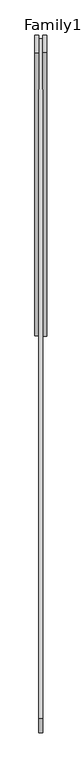
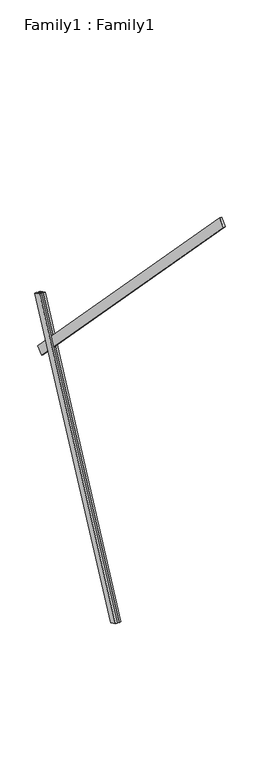
"""IFC4 building model written with IfcOpenShell, lengths in millimetres: proxy geometry, Family1 : Family1."""

import ifcopenshell
import ifcopenshell.guid

model = None  # the IFC model being written
_history = None  # IfcOwnerHistory: only IFC2X3 demands one
_inside = {}  # id of a spatial element -> (the spatial element, [elements in it])
_under = {}  # id of a project, library or spatial element -> (it, [spatial elements below it])
_declared = {}  # id of a project -> (the project, [libraries it declares])
_typed = {}  # id of a type object -> (the type object, [elements of that type])
_made_of = {}  # id of a material, layer set ... -> (it, [elements and type objects made of it])


def new_model(schema):
    """Start an empty IFC model of exactly this schema.

    Asked for "IFC4X3", IfcOpenShell would pick the latest addendum, in which some entities
    have other attributes; the version numbers below select the first issue.
    IFC2X3 requires an IfcOwnerHistory on every rooted entity: one is made here for all.
    """
    global model, _history
    if schema == "IFC4X3":
        model = ifcopenshell.file(schema_version=(4, 3, 0, 0))
    else:
        model = ifcopenshell.file(schema=schema)
    _inside.clear()
    _under.clear()
    _declared.clear()
    _typed.clear()
    _made_of.clear()
    _history = None
    if model.schema == "IFC2X3":
        org = make("IfcOrganization", Name="unknown")
        user = make(
            "IfcPersonAndOrganization",
            ThePerson=make("IfcPerson", FamilyName="unknown"),
            TheOrganization=org,
        )
        app = make(
            "IfcApplication",
            ApplicationDeveloper=org,
            Version="unknown",
            ApplicationFullName="unknown",
            ApplicationIdentifier="unknown",
        )
        _history = make(
            "IfcOwnerHistory",
            OwningUser=user,
            OwningApplication=app,
            ChangeAction="ADDED",
            CreationDate=0,
        )
    return model


def make(cls, **values):
    """One entity of the class cls with the attributes given. An attribute that is None is left unset."""
    return model.create_entity(
        cls, **{name: value for name, value in values.items() if value is not None}
    )


def rooted(cls, **values):
    """An entity with a GlobalId (a new one), such as an element, a storey or a relation."""
    return make(cls, GlobalId=ifcopenshell.guid.new(), OwnerHistory=_history, **values)


def si_unit(unit_type, name, prefix=None):
    """IfcSIUnit, for example si_unit("LENGTHUNIT", "METRE", prefix="MILLI")."""
    return make("IfcSIUnit", UnitType=unit_type, Prefix=prefix, Name=name)


def assignment(units):
    """IfcUnitAssignment: the units of a project."""
    return None if units is None else make("IfcUnitAssignment", Units=units)


def point(xyz):
    """IfcCartesianPoint."""
    return None if xyz is None else make("IfcCartesianPoint", Coordinates=xyz)


def direction(xyz):
    """IfcDirection."""
    return None if xyz is None else make("IfcDirection", DirectionRatios=xyz)


def frame(location, z_axis=None, x_axis=None):
    """IfcAxis2Placement3D, a coordinate frame: its origin and axes. An axis left out is left unset."""
    return make(
        "IfcAxis2Placement3D",
        Location=point(location),
        Axis=direction(z_axis),
        RefDirection=direction(x_axis),
    )


def origin():
    """The frame at (0, 0, 0) with its axes left unset."""
    return frame((0.0, 0.0, 0.0))


def place(relative_to, where):
    """IfcLocalPlacement: puts the frame where relative to a parent placement (None: the world)."""
    return make(
        "IfcLocalPlacement", PlacementRelTo=relative_to, RelativePlacement=where
    )


def context(
    kind, dimensions, precision=None, world=None, true_north=None, identifier=None
):
    """IfcGeometricRepresentationContext, for example the 3D "Model" context."""
    return make(
        "IfcGeometricRepresentationContext",
        ContextIdentifier=identifier,
        ContextType=kind,
        CoordinateSpaceDimension=dimensions,
        Precision=precision,
        WorldCoordinateSystem=world,
        TrueNorth=true_north,
    )


def project(units=None, contexts=None):
    """IfcProject with its units and contexts."""
    return rooted(
        "IfcProject",
        Name="project",
        RepresentationContexts=contexts,
        UnitsInContext=assignment(units),
    )


def spatial(cls, under=None, at=None, **own):
    """A site, building, storey or space (cls), placed at a placement, below another one or the project."""
    s = rooted(cls, ObjectPlacement=at, **own)
    if under is not None:
        _under.setdefault(under.id(), (under, []))[1].append(s)
    return s


def polyline(points):
    """IfcPolyline through the points."""
    return make("IfcPolyline", Points=[point(p) for p in points])


def outline(outer, holes=None, kind="AREA"):
    """IfcArbitraryClosedProfileDef: a profile drawn as a closed curve; with holes, ...WithVoids."""
    if holes is None:
        return make("IfcArbitraryClosedProfileDef", ProfileType=kind, OuterCurve=outer)
    return make(
        "IfcArbitraryProfileDefWithVoids",
        ProfileType=kind,
        OuterCurve=outer,
        InnerCurves=holes,
    )


def extrude(swept, where, along, depth):
    """IfcExtrudedAreaSolid: the profile swept, set in the frame where, extruded along a direction by depth."""
    return make(
        "IfcExtrudedAreaSolid",
        SweptArea=swept,
        Position=where,
        ExtrudedDirection=direction(along),
        Depth=depth,
    )


def shape(context_of_items, identifier, shape_type, items):
    """IfcShapeRepresentation: the items that make up one representation, for example the "Body"."""
    return make(
        "IfcShapeRepresentation",
        ContextOfItems=context_of_items,
        RepresentationIdentifier=identifier,
        RepresentationType=shape_type,
        Items=items,
    )


def source(mapping_origin, context_of_items, identifier, shape_type, items):
    """IfcRepresentationMap: a shape defined once, which mapped items show again and again."""
    return make(
        "IfcRepresentationMap",
        MappingOrigin=mapping_origin,
        MappedRepresentation=shape(context_of_items, identifier, shape_type, items),
    )


def transform(
    local_origin,
    x_axis=None,
    y_axis=None,
    z_axis=None,
    scale=None,
    scale2=None,
    scale3=None,
    uniform=True,
):
    """IfcCartesianTransformationOperator3D, or its non-uniform kind. x_axis, y_axis, z_axis: its Axis1, 2, 3."""
    if uniform:
        return make(
            "IfcCartesianTransformationOperator3D",
            Axis1=direction(x_axis),
            Axis2=direction(y_axis),
            LocalOrigin=point(local_origin),
            Scale=scale,
            Axis3=direction(z_axis),
        )
    return make(
        "IfcCartesianTransformationOperator3DnonUniform",
        Axis1=direction(x_axis),
        Axis2=direction(y_axis),
        LocalOrigin=point(local_origin),
        Scale=scale,
        Axis3=direction(z_axis),
        Scale2=scale2,
        Scale3=scale3,
    )


def mapped(mapping_source, mapping_target):
    """IfcMappedItem: shows the shape of a source again, moved by a transform."""
    return make(
        "IfcMappedItem", MappingSource=mapping_source, MappingTarget=mapping_target
    )


def made_of(thing, what):
    """Note that an element or type object is made of a material, layer set ...; save() writes the relation."""
    if what is not None:
        _made_of.setdefault(what.id(), (what, []))[1].append(thing)
    return thing


def element(
    cls,
    number,
    at=None,
    inside=None,
    cuts=None,
    type_object=None,
    material=None,
    context=None,
    identifier="Body",
    shape_type=None,
    held_by="IfcProductDefinitionShape",
    body=None,
    shapes=None,
    **own,
):
    """One element of the class cls, such as IfcWall. Its Tag is "e" and its number.

    at: its placement. inside: the storey or other place that contains it. cuts: it is an
    opening in that element (IfcRelVoidsElement). A single representation is given by context,
    identifier, shape_type and body (its items); several are given by shapes. held_by: the class
    of the entity that holds the representations. save() writes the other relations.
    """
    e = rooted(cls, Tag="e%d" % number, ObjectPlacement=at, **own)
    if body is not None:
        shapes = [shape(context, identifier, shape_type, body)]
    if shapes is not None:
        e.Representation = make(held_by, Representations=shapes)
    if inside is not None:
        _inside.setdefault(inside.id(), (inside, []))[1].append(e)
    if cuts is not None:
        rooted(
            "IfcRelVoidsElement", RelatingBuildingElement=cuts, RelatedOpeningElement=e
        )
    if type_object is not None:
        _typed.setdefault(type_object.id(), (type_object, []))[1].append(e)
    return made_of(e, material)


def aggregate(whole, parts):
    """IfcRelAggregates: a whole, such as a stair, and the parts it consists of."""
    return rooted("IfcRelAggregates", RelatingObject=whole, RelatedObjects=parts)


def save(model, path):
    """Write the relations noted so far, then the file.

    IfcRelAggregates (storeys below a building ...), IfcRelContainedInSpatialStructure (elements
    in a storey), IfcRelDefinesByType, IfcRelAssociatesMaterial and IfcRelDeclares: one each for
    every whole, place, type object, material and project.
    """
    for whole, parts in _under.values():
        aggregate(whole, parts)
    for where, things in _inside.values():
        rooted(
            "IfcRelContainedInSpatialStructure",
            RelatedElements=things,
            RelatingStructure=where,
        )
    for kind, things in _typed.values():
        rooted("IfcRelDefinesByType", RelatedObjects=things, RelatingType=kind)
    for what, things in _made_of.values():
        rooted("IfcRelAssociatesMaterial", RelatedObjects=things, RelatingMaterial=what)
    for by, libraries in _declared.values():
        rooted("IfcRelDeclares", RelatingContext=by, RelatedDefinitions=libraries)
    model.write(path)


def family1_family1_56ab096b(model_context):
    return source(origin(), model_context, "Body", "SweptSolid", [
        extrude(outline(polyline([(0.0, 0.0), (0.0, -20.0), (-100.0000001, -20.0), (-100.0000001, 0.0), (0.0, 0.0)])), frame((-30.0, 46.3241747, -22.5938096), z_axis=(0.0, 0.4383711467890692, 0.8987940462991711), x_axis=(0.0, 0.8987940462991711, -0.4383711467890692)), (0.0, 0.0, 1.0), 3300.0),
        extrude(outline(polyline([(0.0, 0.0), (0.0, -20.0), (-99.9999999, -20.0), (-99.9999999, 0.0), (0.0, 0.0)])), frame((10.0, 45.270232, -22.0797674), z_axis=(0.0, 0.4383711467890692, 0.8987940462991711), x_axis=(0.0, 0.8987940462991711, -0.4383711467890692)), (0.0, 0.0, 1.0), 3300.0),
        extrude(outline(polyline([(0.0, 0.0), (0.0, -100.0), (-20.0, -100.0), (-20.0, 0.0), (0.0, 0.0)])), frame((10.0, 1473.0107128, 2334.3044223), z_axis=(0.0, -0.6946583704589959, 0.7193398003386526), x_axis=(1.0, 0.0, 0.0)), (0.0, 0.0, 1.0), 5000.0),
    ])


if __name__ == "__main__":
    model = new_model("IFC4")
    model_context = context("Model", 3, world=origin())
    ifc_project = project(units=[si_unit("LENGTHUNIT", "METRE", prefix="MILLI")], contexts=[model_context])
    site = spatial("IfcSite", under=ifc_project)
    building = spatial("IfcBuilding", under=site)
    placement = place(None, origin())
    family1_family1_shape = family1_family1_56ab096b(model_context)
    element("IfcBuildingElementProxy", 1, Name="Family1 : Family1", ObjectType="Family1 : Family1", at=placement, inside=building, context=model_context, shape_type="MappedRepresentation", body=[
        mapped(family1_family1_shape, transform((0.0, 0.0, 0.0), x_axis=(1.0, 0.0, 0.0), y_axis=(0.0, 1.0, 0.0), z_axis=(0.0, 0.0, 1.0))),
    ])
    save(model, "model.ifc")
